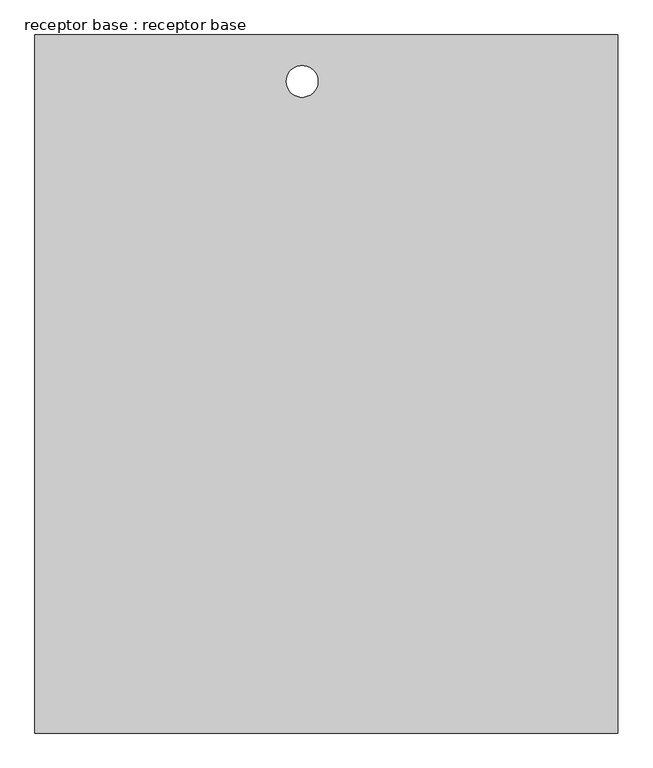
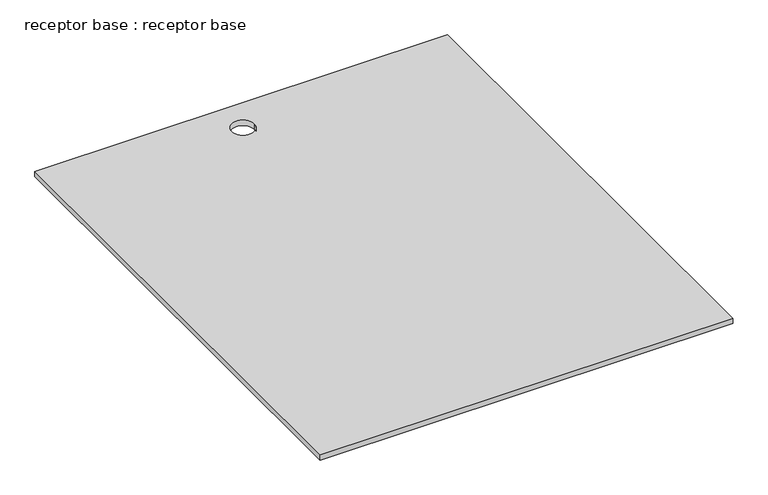
"""IFC4 building model written with IfcOpenShell, lengths in millimetres: proxy geometry, receptor base : receptor base."""

from ifc_helpers import new_model, si_unit, point, frame, frame_2d, origin, place, context, project, spatial, polyline, circle_curve, trimmed, segment, composite_curve, outline, extrude, source, transform, mapped, element, save


def receptor_base_receptor_base_96a2a91f(model_context):
    return source(origin(), model_context, "Body", "SweptSolid", [
        extrude(outline(polyline([(-3984.6678132, 341.5093873), (-3984.6678132, -776.8843627), (-4918.1178132, -776.8843627), (-4918.1178132, 341.5093873), (-3984.6678132, 341.5093873)]), holes=[composite_curve([segment(trimmed(circle_curve(frame_2d((-4490.119967, 267.1764773)), 25.4), [point((-4515.519967, 267.1764773))], [point((-4464.719967, 267.1764773))], True, "CARTESIAN"), True, "CONTINUOUS"), segment(trimmed(circle_curve(frame_2d((-4490.119967, 267.1764773)), 25.4), [point((-4464.719967, 267.1764773))], [point((-4515.519967, 267.1764773))], True, "CARTESIAN"), True, "CONTINUOUS")], self_intersect=False)]), frame((0.0, 0.0, 3048.0), z_axis=(0.0, 0.0, 1.0), x_axis=(1.0, 0.0, 0.0)), (0.0, 0.0, 1.0), 12.7),
    ])


if __name__ == "__main__":
    model = new_model("IFC4")
    model_context = context("Model", 3, world=origin())
    ifc_project = project(units=[si_unit("LENGTHUNIT", "METRE", prefix="MILLI")], contexts=[model_context])
    site = spatial("IfcSite", under=ifc_project)
    building = spatial("IfcBuilding", under=site)
    placement = place(None, origin())
    receptor_base_receptor_base_shape = receptor_base_receptor_base_96a2a91f(model_context)
    element("IfcBuildingElementProxy", 1, Name="receptor base : receptor base", ObjectType="receptor base : receptor base", at=placement, inside=building, context=model_context, shape_type="MappedRepresentation", body=[
        mapped(receptor_base_receptor_base_shape, transform((0.0, 0.0, 0.0), x_axis=(1.0, 0.0, 0.0), y_axis=(0.0, 1.0, 0.0), z_axis=(0.0, 0.0, 1.0))),
    ])
    save(model, "model.ifc")
